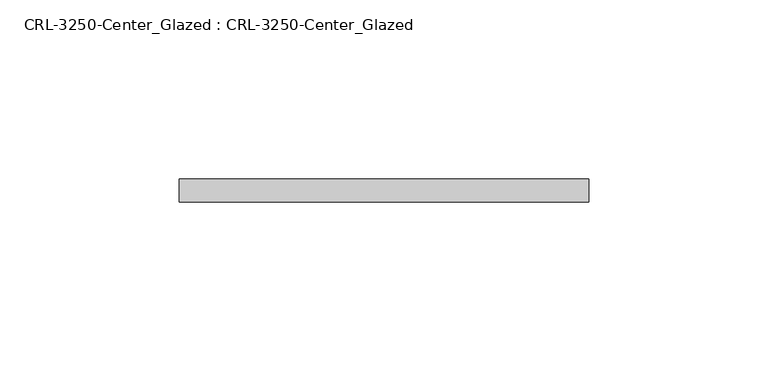
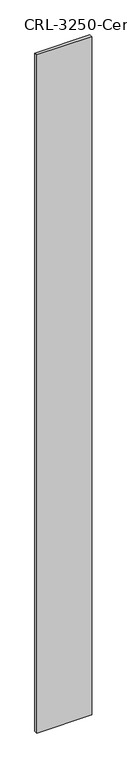
"""IFC4 building model written with IfcOpenShell, lengths in millimetres: plate geometry, CRL-3250-Center_Glazed : CRL-3250-Center_Glazed."""

from ifc_helpers import new_model, si_unit, origin, origin_with_axes, place, context, project, spatial, polyline, outline, extrude, source, transform, mapped, element, save


def crl_3250_center_glazed_crl_3250_center_glazed_8a67a262(model_context):
    return source(origin(), model_context, "Body", "SweptSolid", [
        extrude(outline(polyline([(57.0626824, -3.1749999), (-57.0626824, -3.1749999), (-57.0626824, 3.1749999), (57.0626824, 3.1749999), (57.0626824, -3.1749999)])), origin_with_axes(), (0.0, 0.0, 1.0), 1485.9),
    ])


if __name__ == "__main__":
    model = new_model("IFC4")
    model_context = context("Model", 3, world=origin())
    ifc_project = project(units=[si_unit("LENGTHUNIT", "METRE", prefix="MILLI")], contexts=[model_context])
    site = spatial("IfcSite", under=ifc_project)
    building = spatial("IfcBuilding", under=site)
    placement = place(None, origin())
    crl_3250_center_glazed_crl_3250_center_glazed_shape = crl_3250_center_glazed_crl_3250_center_glazed_8a67a262(model_context)
    element("IfcPlate", 1, ObjectType="CRL-3250-Center_Glazed : CRL-3250-Center_Glazed", at=placement, inside=building, context=model_context, shape_type="MappedRepresentation", body=[
        mapped(crl_3250_center_glazed_crl_3250_center_glazed_shape, transform((0.0, 0.0, 0.0), x_axis=(1.0, 0.0, 0.0), y_axis=(0.0, 1.0, 0.0), z_axis=(0.0, 0.0, 1.0))),
    ])
    save(model, "model.ifc")
